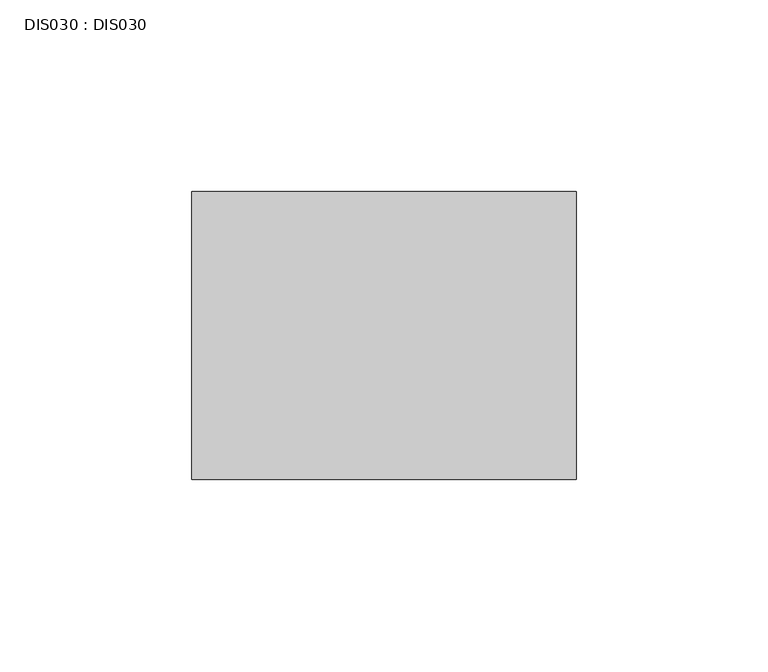
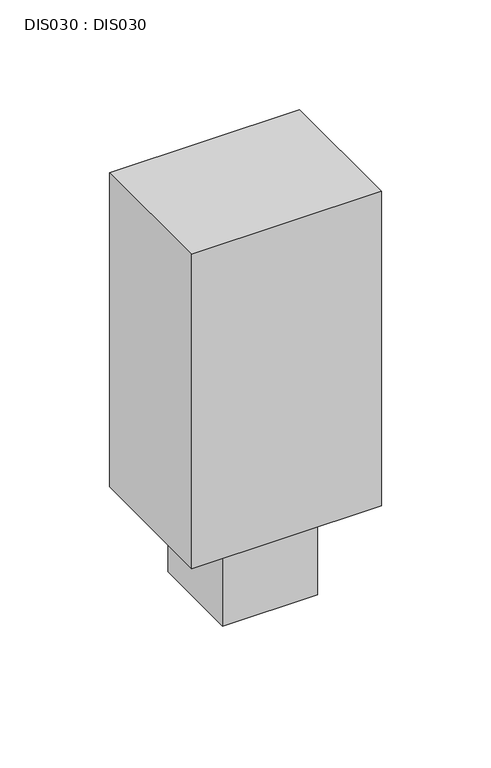
"""IFC4 building model written with IfcOpenShell, lengths in millimetres: proxy geometry, DIS030 : DIS030."""

from ifc_helpers import new_model, si_unit, frame, origin, origin_with_axes, place, context, project, spatial, polyline, outline, extrude, source, transform, mapped, element, save


def dis030_dis030_861922fd(model_context):
    return source(origin(), model_context, "Body", "SweptSolid", [
        extrude(outline(polyline([(75.0000006, -10.0000005), (75.0000006, -59.9999986), (25.0000002, -59.9999986), (25.0000002, -10.0000005), (75.0000006, -10.0000005)])), origin_with_axes(), (0.0, 0.0, 1.0), 50.0000004),
        extrude(outline(polyline([(100.0000008, -75.0000006), (0.0, -75.0000006), (0.0, 0.0), (100.0000008, 0.0), (100.0000008, -75.0000006)])), frame((0.0, 0.0, 50.0000004), z_axis=(0.0, 0.0, 1.0), x_axis=(1.0, 0.0, 0.0)), (0.0, 0.0, 1.0), 175.0000013),
    ])


if __name__ == "__main__":
    model = new_model("IFC4")
    model_context = context("Model", 3, world=origin())
    ifc_project = project(units=[si_unit("LENGTHUNIT", "METRE", prefix="MILLI")], contexts=[model_context])
    site = spatial("IfcSite", under=ifc_project)
    building = spatial("IfcBuilding", under=site)
    placement = place(None, origin())
    dis030_dis030_shape = dis030_dis030_861922fd(model_context)
    element("IfcBuildingElementProxy", 1, Name="DIS030 : DIS030", ObjectType="DIS030 : DIS030", at=placement, inside=building, context=model_context, shape_type="MappedRepresentation", body=[
        mapped(dis030_dis030_shape, transform((0.0, 0.0, 0.0), x_axis=(1.0, 0.0, 0.0), y_axis=(0.0, 1.0, 0.0), z_axis=(0.0, 0.0, 1.0))),
    ])
    save(model, "model.ifc")
